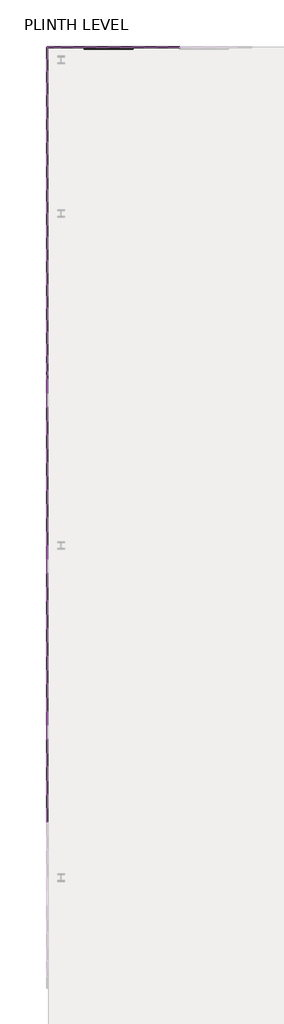
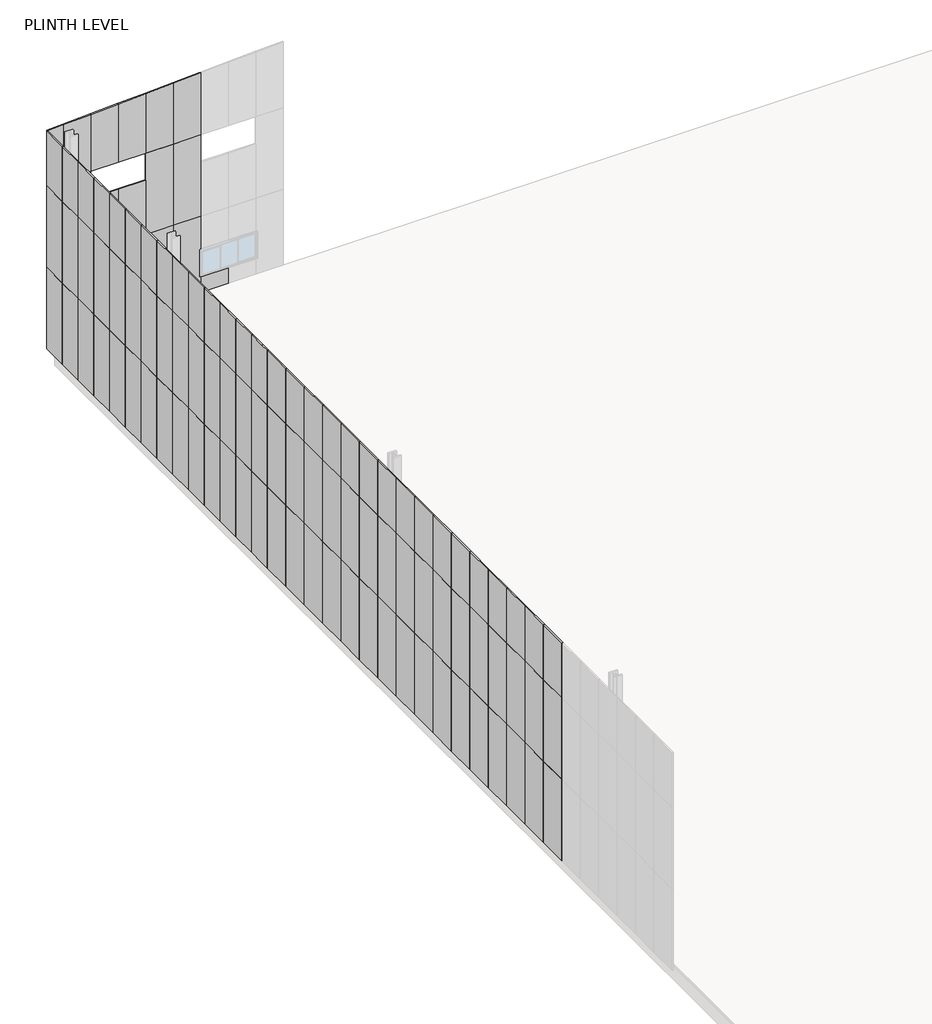
# One storey, part 7 of 10: 111 plates, 1 window.
"""IFC4 building model written with IfcOpenShell, lengths in millimetres."""

import ifcopenshell
import ifcopenshell.guid

model = None  # the IFC model being written
_history = None  # IfcOwnerHistory: only IFC2X3 demands one
_inside = {}  # id of a spatial element -> (the spatial element, [elements in it])
_under = {}  # id of a project, library or spatial element -> (it, [spatial elements below it])
_declared = {}  # id of a project -> (the project, [libraries it declares])
_typed = {}  # id of a type object -> (the type object, [elements of that type])
_made_of = {}  # id of a material, layer set ... -> (it, [elements and type objects made of it])


def new_model(schema):
    """Start an empty IFC model of exactly this schema.

    Asked for "IFC4X3", IfcOpenShell would pick the latest addendum, in which some entities
    have other attributes; the version numbers below select the first issue.
    IFC2X3 requires an IfcOwnerHistory on every rooted entity: one is made here for all.
    """
    global model, _history
    if schema == "IFC4X3":
        model = ifcopenshell.file(schema_version=(4, 3, 0, 0))
    else:
        model = ifcopenshell.file(schema=schema)
    _inside.clear()
    _under.clear()
    _declared.clear()
    _typed.clear()
    _made_of.clear()
    _history = None
    if model.schema == "IFC2X3":
        org = make("IfcOrganization", Name="unknown")
        user = make(
            "IfcPersonAndOrganization",
            ThePerson=make("IfcPerson", FamilyName="unknown"),
            TheOrganization=org,
        )
        app = make(
            "IfcApplication",
            ApplicationDeveloper=org,
            Version="unknown",
            ApplicationFullName="unknown",
            ApplicationIdentifier="unknown",
        )
        _history = make(
            "IfcOwnerHistory",
            OwningUser=user,
            OwningApplication=app,
            ChangeAction="ADDED",
            CreationDate=0,
        )
    return model


def make(cls, **values):
    """One entity of the class cls with the attributes given. An attribute that is None is left unset."""
    return model.create_entity(
        cls, **{name: value for name, value in values.items() if value is not None}
    )


def rooted(cls, **values):
    """An entity with a GlobalId (a new one), such as an element, a storey or a relation."""
    return make(cls, GlobalId=ifcopenshell.guid.new(), OwnerHistory=_history, **values)


def si_unit(unit_type, name, prefix=None):
    """IfcSIUnit, for example si_unit("LENGTHUNIT", "METRE", prefix="MILLI")."""
    return make("IfcSIUnit", UnitType=unit_type, Prefix=prefix, Name=name)


def assignment(units):
    """IfcUnitAssignment: the units of a project."""
    return None if units is None else make("IfcUnitAssignment", Units=units)


def point(xyz):
    """IfcCartesianPoint."""
    return None if xyz is None else make("IfcCartesianPoint", Coordinates=xyz)


def direction(xyz):
    """IfcDirection."""
    return None if xyz is None else make("IfcDirection", DirectionRatios=xyz)


def frame(location, z_axis=None, x_axis=None):
    """IfcAxis2Placement3D, a coordinate frame: its origin and axes. An axis left out is left unset."""
    return make(
        "IfcAxis2Placement3D",
        Location=point(location),
        Axis=direction(z_axis),
        RefDirection=direction(x_axis),
    )


def origin():
    """The frame at (0, 0, 0) with its axes left unset."""
    return frame((0.0, 0.0, 0.0))


def origin_with_axes():
    """The frame at (0, 0, 0) with the z axis (0, 0, 1) and the x axis (1, 0, 0) written out."""
    return frame((0.0, 0.0, 0.0), z_axis=(0.0, 0.0, 1.0), x_axis=(1.0, 0.0, 0.0))


def place(relative_to, where):
    """IfcLocalPlacement: puts the frame where relative to a parent placement (None: the world)."""
    return make(
        "IfcLocalPlacement", PlacementRelTo=relative_to, RelativePlacement=where
    )


def context(
    kind, dimensions, precision=None, world=None, true_north=None, identifier=None
):
    """IfcGeometricRepresentationContext, for example the 3D "Model" context."""
    return make(
        "IfcGeometricRepresentationContext",
        ContextIdentifier=identifier,
        ContextType=kind,
        CoordinateSpaceDimension=dimensions,
        Precision=precision,
        WorldCoordinateSystem=world,
        TrueNorth=true_north,
    )


def project(units=None, contexts=None):
    """IfcProject with its units and contexts."""
    return rooted(
        "IfcProject",
        Name="project",
        RepresentationContexts=contexts,
        UnitsInContext=assignment(units),
    )


def spatial(cls, under=None, at=None, **own):
    """A site, building, storey or space (cls), placed at a placement, below another one or the project."""
    s = rooted(cls, ObjectPlacement=at, **own)
    if under is not None:
        _under.setdefault(under.id(), (under, []))[1].append(s)
    return s


def polyline(points):
    """IfcPolyline through the points."""
    return make("IfcPolyline", Points=[point(p) for p in points])


def outline(outer, holes=None, kind="AREA"):
    """IfcArbitraryClosedProfileDef: a profile drawn as a closed curve; with holes, ...WithVoids."""
    if holes is None:
        return make("IfcArbitraryClosedProfileDef", ProfileType=kind, OuterCurve=outer)
    return make(
        "IfcArbitraryProfileDefWithVoids",
        ProfileType=kind,
        OuterCurve=outer,
        InnerCurves=holes,
    )


def extrude(swept, where, along, depth):
    """IfcExtrudedAreaSolid: the profile swept, set in the frame where, extruded along a direction by depth."""
    return make(
        "IfcExtrudedAreaSolid",
        SweptArea=swept,
        Position=where,
        ExtrudedDirection=direction(along),
        Depth=depth,
    )


def shape(context_of_items, identifier, shape_type, items):
    """IfcShapeRepresentation: the items that make up one representation, for example the "Body"."""
    return make(
        "IfcShapeRepresentation",
        ContextOfItems=context_of_items,
        RepresentationIdentifier=identifier,
        RepresentationType=shape_type,
        Items=items,
    )


def source(mapping_origin, context_of_items, identifier, shape_type, items):
    """IfcRepresentationMap: a shape defined once, which mapped items show again and again."""
    return make(
        "IfcRepresentationMap",
        MappingOrigin=mapping_origin,
        MappedRepresentation=shape(context_of_items, identifier, shape_type, items),
    )


def transform(
    local_origin,
    x_axis=None,
    y_axis=None,
    z_axis=None,
    scale=None,
    scale2=None,
    scale3=None,
    uniform=True,
):
    """IfcCartesianTransformationOperator3D, or its non-uniform kind. x_axis, y_axis, z_axis: its Axis1, 2, 3."""
    if uniform:
        return make(
            "IfcCartesianTransformationOperator3D",
            Axis1=direction(x_axis),
            Axis2=direction(y_axis),
            LocalOrigin=point(local_origin),
            Scale=scale,
            Axis3=direction(z_axis),
        )
    return make(
        "IfcCartesianTransformationOperator3DnonUniform",
        Axis1=direction(x_axis),
        Axis2=direction(y_axis),
        LocalOrigin=point(local_origin),
        Scale=scale,
        Axis3=direction(z_axis),
        Scale2=scale2,
        Scale3=scale3,
    )


def mapped(mapping_source, mapping_target):
    """IfcMappedItem: shows the shape of a source again, moved by a transform."""
    return make(
        "IfcMappedItem", MappingSource=mapping_source, MappingTarget=mapping_target
    )


def made_of(thing, what):
    """Note that an element or type object is made of a material, layer set ...; save() writes the relation."""
    if what is not None:
        _made_of.setdefault(what.id(), (what, []))[1].append(thing)
    return thing


def element(
    cls,
    number,
    at=None,
    inside=None,
    cuts=None,
    type_object=None,
    material=None,
    context=None,
    identifier="Body",
    shape_type=None,
    held_by="IfcProductDefinitionShape",
    body=None,
    shapes=None,
    **own,
):
    """One element of the class cls, such as IfcWall. Its Tag is "e" and its number.

    at: its placement. inside: the storey or other place that contains it. cuts: it is an
    opening in that element (IfcRelVoidsElement). A single representation is given by context,
    identifier, shape_type and body (its items); several are given by shapes. held_by: the class
    of the entity that holds the representations. save() writes the other relations.
    """
    e = rooted(cls, Tag="e%d" % number, ObjectPlacement=at, **own)
    if body is not None:
        shapes = [shape(context, identifier, shape_type, body)]
    if shapes is not None:
        e.Representation = make(held_by, Representations=shapes)
    if inside is not None:
        _inside.setdefault(inside.id(), (inside, []))[1].append(e)
    if cuts is not None:
        rooted(
            "IfcRelVoidsElement", RelatingBuildingElement=cuts, RelatedOpeningElement=e
        )
    if type_object is not None:
        _typed.setdefault(type_object.id(), (type_object, []))[1].append(e)
    return made_of(e, material)


def aggregate(whole, parts):
    """IfcRelAggregates: a whole, such as a stair, and the parts it consists of."""
    return rooted("IfcRelAggregates", RelatingObject=whole, RelatedObjects=parts)


def save(model, path):
    """Write the relations noted so far, then the file.

    IfcRelAggregates (storeys below a building ...), IfcRelContainedInSpatialStructure (elements
    in a storey), IfcRelDefinesByType, IfcRelAssociatesMaterial and IfcRelDeclares: one each for
    every whole, place, type object, material and project.
    """
    for whole, parts in _under.values():
        aggregate(whole, parts)
    for where, things in _inside.values():
        rooted(
            "IfcRelContainedInSpatialStructure",
            RelatedElements=things,
            RelatingStructure=where,
        )
    for kind, things in _typed.values():
        rooted("IfcRelDefinesByType", RelatedObjects=things, RelatingType=kind)
    for what, things in _made_of.values():
        rooted("IfcRelAssociatesMaterial", RelatedObjects=things, RelatingMaterial=what)
    for by, libraries in _declared.values():
        rooted("IfcRelDeclares", RelatingContext=by, RelatedDefinitions=libraries)
    model.write(path)


def system_panel_glazed_402fa4a2(model_context):
    return source(origin(), model_context, "Body", "SweptSolid", [
        extrude(outline(polyline([(833.3333333, -49.5), (-833.3333333, -49.5), (-833.3333333, -24.5), (833.3333333, -24.5), (833.3333333, -49.5)])), origin_with_axes(), (0.0, 0.0, 1.0), 4500.0),
    ])


def system_panel_sheet_cladding_c36d756c(model_context):
    return source(origin(), model_context, "Body", "SweptSolid", [
        extrude(outline(polyline([(833.3333333, -49.5), (-833.3333333, -49.5), (-833.3333333, 10.5), (833.3333333, 10.5), (833.3333333, -49.5)])), origin_with_axes(), (0.0, 0.0, 1.0), 4500.0),
    ])


def system_panel_sheet_cladding_1765ef23(model_context):
    return source(origin(), model_context, "Body", "SweptSolid", [
        extrude(outline(polyline([(833.3333333, -49.5), (-833.3333333, -49.5), (-833.3333333, 10.5), (833.3333333, 10.5), (833.3333333, -49.5)])), origin_with_axes(), (0.0, 0.0, 1.0), 3031.35),
    ])


def system_panel_sheet_cladding_b947c8a9(model_context):
    return source(origin(), model_context, "Body", "SweptSolid", [
        extrude(outline(polyline([(714.2857143, -49.5), (-714.2857143, -49.5), (-714.2857143, 10.5), (714.2857143, 10.5), (714.2857143, -49.5)])), origin_with_axes(), (0.0, 0.0, 1.0), 4500.0),
    ])


def system_panel_sheet_cladding_9e5e7799(model_context):
    return source(origin(), model_context, "Body", "SweptSolid", [
        extrude(outline(polyline([(0.0, -714.2857143), (0.0, 214.2857145), (0.0, 714.2857143), (4500.0, 714.2857143), (4500.0, 214.2857145), (4500.0, -714.2857143), (0.0, -714.2857143)])), frame((0.0, -49.5, 0.0), z_axis=(0.0, 1.0, 0.0), x_axis=(0.0, 0.0, 1.0)), (0.0, 0.0, 1.0), 60.0),
    ])


def system_panel_sheet_cladding_f6e0ee69(model_context):
    return source(origin(), model_context, "Body", "SweptSolid", [
        extrude(outline(polyline([(714.2857143, -49.5), (-714.2857143, -49.5), (-714.2857143, 10.5), (714.2857143, 10.5), (714.2857143, -49.5)])), origin_with_axes(), (0.0, 0.0, 1.0), 3031.35),
    ])


def system_panel_sheet_cladding_584bde34(model_context):
    return source(origin(), model_context, "Body", "SweptSolid", [
        extrude(outline(polyline([(0.0, -714.2857143), (0.0, 214.2857145), (0.0, 714.2857143), (3031.35, 714.2857143), (3031.35, 214.2857145), (3031.35, -714.2857143), (0.0, -714.2857143)])), frame((0.0, -49.5, 0.0), z_axis=(0.0, 1.0, 0.0), x_axis=(0.0, 0.0, 1.0)), (0.0, 0.0, 1.0), 60.0),
    ])


def system_panel_sheet_cladding_d094fab6(model_context):
    return source(origin(), model_context, "Body", "SweptSolid", [
        extrude(outline(polyline([(0.0, -412.5), (0.0, 412.5), (3031.35, 412.5), (3072.6, -412.5), (0.0, -412.5)])), frame((0.0, -49.5, 0.0), z_axis=(0.0, 1.0, 0.0), x_axis=(0.0, 0.0, 1.0)), (0.0, 0.0, 1.0), 60.0),
    ])


def system_panel_sheet_cladding_5d1c2f32(model_context):
    return source(origin(), model_context, "Body", "SweptSolid", [
        extrude(outline(polyline([(0.0, -718.75), (0.0, 718.75), (3360.1, 718.75), (3431.975, -718.75), (0.0, -718.75)])), frame((0.0, -49.5, 0.0), z_axis=(0.0, 1.0, 0.0), x_axis=(0.0, 0.0, 1.0)), (0.0, 0.0, 1.0), 60.0),
    ])


def system_panel_sheet_cladding_720000bf(model_context):
    return source(origin(), model_context, "Body", "SweptSolid", [
        extrude(outline(polyline([(0.0, -718.75), (0.0, 718.75), (3288.225, 718.75), (3360.1, -718.75), (0.0, -718.75)])), frame((0.0, -49.5, 0.0), z_axis=(0.0, 1.0, 0.0), x_axis=(0.0, 0.0, 1.0)), (0.0, 0.0, 1.0), 60.0),
    ])


def system_panel_sheet_cladding_9d891fc6(model_context):
    return source(origin(), model_context, "Body", "SweptSolid", [
        extrude(outline(polyline([(0.0, -718.75), (0.0, 718.75), (3216.35, 718.75), (3288.225, -718.75), (0.0, -718.75)])), frame((0.0, -49.5, 0.0), z_axis=(0.0, 1.0, 0.0), x_axis=(0.0, 0.0, 1.0)), (0.0, 0.0, 1.0), 60.0),
    ])


def system_panel_sheet_cladding_4e0a2068(model_context):
    return source(origin(), model_context, "Body", "SweptSolid", [
        extrude(outline(polyline([(0.0, -718.75), (0.0, 718.75), (3144.475, 718.75), (3216.35, -718.75), (0.0, -718.75)])), frame((0.0, -49.5, 0.0), z_axis=(0.0, 1.0, 0.0), x_axis=(0.0, 0.0, 1.0)), (0.0, 0.0, 1.0), 60.0),
    ])


def system_panel_sheet_cladding_94573952(model_context):
    return source(origin(), model_context, "Body", "SweptSolid", [
        extrude(outline(polyline([(0.0, -718.75), (0.0, 718.75), (3072.6, 718.75), (3144.475, -718.75), (0.0, -718.75)])), frame((0.0, -49.5, 0.0), z_axis=(0.0, 1.0, 0.0), x_axis=(0.0, 0.0, 1.0)), (0.0, 0.0, 1.0), 60.0),
    ])


def system_panel_sheet_cladding_cef5598b(model_context):
    return source(origin(), model_context, "Body", "SweptSolid", [
        extrude(outline(polyline([(718.75, -49.5), (-718.75, -49.5), (-718.75, 10.5), (718.75, 10.5), (718.75, -49.5)])), origin_with_axes(), (0.0, 0.0, 1.0), 1200.0),
    ])


def system_panel_sheet_cladding_8b4ab4d2(model_context):
    return source(origin(), model_context, "Body", "SweptSolid", [
        extrude(outline(polyline([(718.75, -49.5), (-718.75, -49.5), (-718.75, 10.5), (718.75, 10.5), (718.75, -49.5)])), origin_with_axes(), (0.0, 0.0, 1.0), 1800.0),
    ])


def system_panel_sheet_cladding_f11437c8(model_context):
    return source(origin(), model_context, "Body", "SweptSolid", [
        extrude(outline(polyline([(0.0, -412.5), (0.0, 412.5), (1200.0, 412.5), (2700.0, 412.5), (4500.0, 412.5), (4500.0, -412.5), (2700.0, -412.5), (1200.0, -412.5), (0.0, -412.5)])), frame((0.0, -49.5, 0.0), z_axis=(0.0, 1.0, 0.0), x_axis=(0.0, 0.0, 1.0)), (0.0, 0.0, 1.0), 60.0),
    ])


def system_panel_sheet_cladding_b78de94b(model_context):
    return source(origin(), model_context, "Body", "SweptSolid", [
        extrude(outline(polyline([(0.0, -718.75), (0.0, 718.75), (1200.0, 718.75), (2700.0, 718.75), (4500.0, 718.75), (4500.0, -718.75), (2700.0, -718.75), (1200.0, -718.75), (0.0, -718.75)])), frame((0.0, -49.5, 0.0), z_axis=(0.0, 1.0, 0.0), x_axis=(0.0, 0.0, 1.0)), (0.0, 0.0, 1.0), 60.0),
    ])


def system_panel_sheet_cladding_f5834e2c(model_context):
    return source(origin(), model_context, "Body", "SweptSolid", [
        extrude(outline(polyline([(0.0, -412.5), (0.0, 412.5), (3000.0, 412.5), (4500.0, 412.5), (4500.0, -412.5), (3000.0, -412.5), (0.0, -412.5)])), frame((0.0, -49.5, 0.0), z_axis=(0.0, 1.0, 0.0), x_axis=(0.0, 0.0, 1.0)), (0.0, 0.0, 1.0), 60.0),
    ])


def system_panel_sheet_cladding_36cc4cfe(model_context):
    return source(origin(), model_context, "Body", "SweptSolid", [
        extrude(outline(polyline([(0.0, -718.75), (0.0, 718.75), (3000.0, 718.75), (4500.0, 718.75), (4500.0, -718.75), (3000.0, -718.75), (0.0, -718.75)])), frame((0.0, -49.5, 0.0), z_axis=(0.0, 1.0, 0.0), x_axis=(0.0, 0.0, 1.0)), (0.0, 0.0, 1.0), 60.0),
    ])


def system_panel_sheet_cladding_d2a125ef(model_context):
    return source(origin(), model_context, "Body", "SweptSolid", [
        extrude(outline(polyline([(718.75, -49.5), (-718.75, -49.5), (-718.75, 10.5), (718.75, 10.5), (718.75, -49.5)])), origin_with_axes(), (0.0, 0.0, 1.0), 3000.0),
    ])


def window_3_sliding_3_00_x_1_50_m_1cb39a05(model_context):
    return source(origin(), model_context, "Body", "SweptSolid", [
        extrude(outline(polyline([(1337.5103168, 84.5), (450.8436501, 84.5), (450.8436501, 90.5), (1337.5103168, 90.5), (1337.5103168, 84.5)])), frame((0.0, 0.0, 920.0), z_axis=(0.0, 0.0, 1.0), x_axis=(1.0, 0.0, 0.0)), (0.0, 0.0, 1.0), 1260.0),
        extrude(outline(polyline([(-485.8230165, 59.5), (-485.8230165, 65.5), (400.8436501, 65.5), (400.8436501, 59.5), (-485.8230165, 59.5)])), frame((0.0, 0.0, 920.0), z_axis=(0.0, 0.0, 1.0), x_axis=(1.0, 0.0, 0.0)), (0.0, 0.0, 1.0), 1260.0),
        extrude(outline(polyline([(-535.8230165, 34.5), (-1422.4896832, 34.5), (-1422.4896832, 40.5), (-535.8230165, 40.5), (-535.8230165, 34.5)])), frame((0.0, 0.0, 920.0), z_axis=(0.0, 0.0, 1.0), x_axis=(1.0, 0.0, 0.0)), (0.0, 0.0, 1.0), 1260.0),
        extrude(outline(polyline([(870.0, 400.8436501), (870.0, 1387.5103168), (2230.0, 1387.5103168), (2230.0, 400.8436501), (870.0, 400.8436501)]), holes=[polyline([(920.0, 1337.5103168), (920.0, 450.8436501), (2180.0, 450.8436501), (2180.0, 1337.5103168), (920.0, 1337.5103168)])]), frame((0.0, 75.0, 0.0), z_axis=(0.0, 1.0, 0.0), x_axis=(0.0, 0.0, 1.0)), (0.0, 0.0, 1.0), 25.0),
        extrude(outline(polyline([(870.0, -535.8230165), (870.0, 450.8436501), (2230.0, 450.8436501), (2230.0, -535.8230165), (870.0, -535.8230165)]), holes=[polyline([(920.0, 400.8436501), (920.0, -485.8230165), (2180.0, -485.8230165), (2180.0, 400.8436501), (920.0, 400.8436501)])]), frame((0.0, 0.0, 0.0), z_axis=(0.0, 1.0, 0.0), x_axis=(0.0, 0.0, 1.0)), (0.0, 0.0, 1.0), 50.0),
        extrude(outline(polyline([(870.0, -1472.4896832), (870.0, -485.8230165), (2230.0, -485.8230165), (2230.0, -1472.4896832), (870.0, -1472.4896832)]), holes=[polyline([(920.0, -535.8230165), (920.0, -1422.4896832), (2180.0, -1422.4896832), (2180.0, -535.8230165), (920.0, -535.8230165)])]), frame((0.0, 25.0, 0.0), z_axis=(0.0, 1.0, 0.0), x_axis=(0.0, 0.0, 1.0)), (0.0, 0.0, 1.0), 25.0),
        extrude(outline(polyline([(820.0, -1522.4896832), (820.0, 1437.5103168), (2280.0, 1437.5103168), (2280.0, -1522.4896832), (820.0, -1522.4896832)]), holes=[polyline([(870.0, 1387.5103168), (870.0, -1472.4896832), (2230.0, -1472.4896832), (2230.0, 1387.5103168), (870.0, 1387.5103168)])]), frame((0.0, 25.0, 0.0), z_axis=(0.0, 1.0, 0.0), x_axis=(0.0, 0.0, 1.0)), (0.0, 0.0, 1.0), 75.0),
        extrude(outline(polyline([(2300.0, 1457.5103168), (2300.0, -1542.4896832), (800.0, -1542.4896832), (800.0, 1457.5103168), (2300.0, 1457.5103168)]), holes=[polyline([(2280.0, -1522.4896832), (2280.0, 1437.5103168), (820.0, 1437.5103168), (820.0, -1522.4896832), (2280.0, -1522.4896832)])]), frame((0.0, -25.0, 0.0), z_axis=(0.0, 1.0, 0.0), x_axis=(0.0, 0.0, 1.0)), (0.0, 0.0, 1.0), 50.0),
    ])


model = new_model("IFC4")

# Units and contexts
model_context = context("Model", 3, world=origin())
ifc_project = project(units=[si_unit("LENGTHUNIT", "METRE", prefix="MILLI")], contexts=[model_context])

# Site, building, storey
site = spatial("IfcSite", under=ifc_project)
building = spatial("IfcBuilding", under=site)
storey = spatial("IfcBuildingStorey", under=building, Name="PLINTH LEVEL", Elevation=1200.0)

# Plates
placement = place(None, origin())
system_panel_glazed_shape = system_panel_glazed_402fa4a2(model_context)
element("IfcPlate", 1, ObjectType="System Panel : Glazed", at=placement, inside=storey, context=model_context, shape_type="MappedRepresentation", body=[
    mapped(system_panel_glazed_shape, transform((-15779.6288399, 41077.3311407, 900.0), x_axis=(0.0, -1.0, 0.0), y_axis=(1.0, 0.0, 0.0), z_axis=(0.0, 0.0, 1.0))),
])
element("IfcPlate", 2, ObjectType="System Panel : Glazed", at=placement, inside=storey, context=model_context, shape_type="MappedRepresentation", body=[
    mapped(system_panel_glazed_shape, transform((-15779.6288399, 31077.3311405, 900.0), x_axis=(0.0, -1.0, 0.0), y_axis=(1.0, 0.0, 0.0), z_axis=(0.0, 0.0, 1.0))),
])
element("IfcPlate", 3, ObjectType="System Panel : Glazed", at=placement, inside=storey, context=model_context, shape_type="MappedRepresentation", body=[
    mapped(system_panel_glazed_shape, transform((-15779.6288399, 21077.3311407, 900.0), x_axis=(0.0, -1.0, 0.0), y_axis=(1.0, 0.0, 0.0), z_axis=(0.0, 0.0, 1.0))),
])
element("IfcPlate", 4, ObjectType="System Panel : Glazed", at=placement, inside=storey, context=model_context, shape_type="MappedRepresentation", body=[
    mapped(system_panel_glazed_shape, transform((-15779.6288399, 41077.3311407, 5400.0), x_axis=(0.0, -1.0, 0.0), y_axis=(1.0, 0.0, 0.0), z_axis=(0.0, 0.0, 1.0))),
])
element("IfcPlate", 5, ObjectType="System Panel : Glazed", at=placement, inside=storey, context=model_context, shape_type="MappedRepresentation", body=[
    mapped(system_panel_glazed_shape, transform((-15779.6288399, 31077.3311405, 5400.0), x_axis=(0.0, -1.0, 0.0), y_axis=(1.0, 0.0, 0.0), z_axis=(0.0, 0.0, 1.0))),
])
element("IfcPlate", 6, ObjectType="System Panel : Glazed", at=placement, inside=storey, context=model_context, shape_type="MappedRepresentation", body=[
    mapped(system_panel_glazed_shape, transform((-15779.6288399, 21077.3311407, 5400.0), x_axis=(0.0, -1.0, 0.0), y_axis=(1.0, 0.0, 0.0), z_axis=(0.0, 0.0, 1.0))),
])
system_panel_sheet_cladding_shape = system_panel_sheet_cladding_c36d756c(model_context)
element("IfcPlate", 7, ObjectType="System Panel : SHEET CLADDING", at=placement, inside=storey, context=model_context, shape_type="MappedRepresentation", body=[
    mapped(system_panel_sheet_cladding_shape, transform((-15779.6288399, 39410.664474, 900.0), x_axis=(0.0, -1.0, 0.0), y_axis=(1.0, 0.0, 0.0), z_axis=(0.0, 0.0, 1.0))),
])
element("IfcPlate", 8, ObjectType="System Panel : SHEET CLADDING", at=placement, inside=storey, context=model_context, shape_type="MappedRepresentation", body=[
    mapped(system_panel_sheet_cladding_shape, transform((-15779.6288399, 37743.9978073, 900.0), x_axis=(0.0, -1.0, 0.0), y_axis=(1.0, 0.0, 0.0), z_axis=(0.0, 0.0, 1.0))),
])
element("IfcPlate", 9, ObjectType="System Panel : SHEET CLADDING", at=placement, inside=storey, context=model_context, shape_type="MappedRepresentation", body=[
    mapped(system_panel_sheet_cladding_shape, transform((-15779.6288399, 36077.3311406, 900.0), x_axis=(0.0, -1.0, 0.0), y_axis=(1.0, 0.0, 0.0), z_axis=(0.0, 0.0, 1.0))),
])
element("IfcPlate", 10, ObjectType="System Panel : SHEET CLADDING", at=placement, inside=storey, context=model_context, shape_type="MappedRepresentation", body=[
    mapped(system_panel_sheet_cladding_shape, transform((-15779.6288399, 34410.6644739, 900.0), x_axis=(0.0, -1.0, 0.0), y_axis=(1.0, 0.0, 0.0), z_axis=(0.0, 0.0, 1.0))),
])
element("IfcPlate", 11, ObjectType="System Panel : SHEET CLADDING", at=placement, inside=storey, context=model_context, shape_type="MappedRepresentation", body=[
    mapped(system_panel_sheet_cladding_shape, transform((-15779.6288399, 32743.9978072, 900.0), x_axis=(0.0, -1.0, 0.0), y_axis=(1.0, 0.0, 0.0), z_axis=(0.0, 0.0, 1.0))),
])
element("IfcPlate", 12, ObjectType="System Panel : SHEET CLADDING", at=placement, inside=storey, context=model_context, shape_type="MappedRepresentation", body=[
    mapped(system_panel_sheet_cladding_shape, transform((-15779.6288399, 29410.6644739, 900.0), x_axis=(0.0, -1.0, 0.0), y_axis=(1.0, 0.0, 0.0), z_axis=(0.0, 0.0, 1.0))),
])
element("IfcPlate", 13, ObjectType="System Panel : SHEET CLADDING", at=placement, inside=storey, context=model_context, shape_type="MappedRepresentation", body=[
    mapped(system_panel_sheet_cladding_shape, transform((-15779.6288399, 27743.9978073, 900.0), x_axis=(0.0, -1.0, 0.0), y_axis=(1.0, 0.0, 0.0), z_axis=(0.0, 0.0, 1.0))),
])
element("IfcPlate", 14, ObjectType="System Panel : SHEET CLADDING", at=placement, inside=storey, context=model_context, shape_type="MappedRepresentation", body=[
    mapped(system_panel_sheet_cladding_shape, transform((-15779.6288399, 26077.3311406, 900.0), x_axis=(0.0, -1.0, 0.0), y_axis=(1.0, 0.0, 0.0), z_axis=(0.0, 0.0, 1.0))),
])
element("IfcPlate", 15, ObjectType="System Panel : SHEET CLADDING", at=placement, inside=storey, context=model_context, shape_type="MappedRepresentation", body=[
    mapped(system_panel_sheet_cladding_shape, transform((-15779.6288399, 24410.664474, 900.0), x_axis=(0.0, -1.0, 0.0), y_axis=(1.0, 0.0, 0.0), z_axis=(0.0, 0.0, 1.0))),
])
element("IfcPlate", 16, ObjectType="System Panel : SHEET CLADDING", at=placement, inside=storey, context=model_context, shape_type="MappedRepresentation", body=[
    mapped(system_panel_sheet_cladding_shape, transform((-15779.6288399, 22743.9978073, 900.0), x_axis=(0.0, -1.0, 0.0), y_axis=(1.0, 0.0, 0.0), z_axis=(0.0, 0.0, 1.0))),
])
element("IfcPlate", 17, ObjectType="System Panel : SHEET CLADDING", at=placement, inside=storey, context=model_context, shape_type="MappedRepresentation", body=[
    mapped(system_panel_sheet_cladding_shape, transform((-15779.6288399, 19410.664474, 900.0), x_axis=(0.0, -1.0, 0.0), y_axis=(1.0, 0.0, 0.0), z_axis=(0.0, 0.0, 1.0))),
])
element("IfcPlate", 18, ObjectType="System Panel : SHEET CLADDING", at=placement, inside=storey, context=model_context, shape_type="MappedRepresentation", body=[
    mapped(system_panel_sheet_cladding_shape, transform((-15779.6288399, 17743.9978073, 900.0), x_axis=(0.0, -1.0, 0.0), y_axis=(1.0, 0.0, 0.0), z_axis=(0.0, 0.0, 1.0))),
])
element("IfcPlate", 19, ObjectType="System Panel : SHEET CLADDING", at=placement, inside=storey, context=model_context, shape_type="MappedRepresentation", body=[
    mapped(system_panel_sheet_cladding_shape, transform((-15779.6288399, 16077.3311406, 900.0), x_axis=(0.0, -1.0, 0.0), y_axis=(1.0, 0.0, 0.0), z_axis=(0.0, 0.0, 1.0))),
])
element("IfcPlate", 20, ObjectType="System Panel : SHEET CLADDING", at=placement, inside=storey, context=model_context, shape_type="MappedRepresentation", body=[
    mapped(system_panel_sheet_cladding_shape, transform((-15779.6288399, 39410.664474, 5400.0), x_axis=(0.0, -1.0, 0.0), y_axis=(1.0, 0.0, 0.0), z_axis=(0.0, 0.0, 1.0))),
])
element("IfcPlate", 21, ObjectType="System Panel : SHEET CLADDING", at=placement, inside=storey, context=model_context, shape_type="MappedRepresentation", body=[
    mapped(system_panel_sheet_cladding_shape, transform((-15779.6288399, 37743.9978073, 5400.0), x_axis=(0.0, -1.0, 0.0), y_axis=(1.0, 0.0, 0.0), z_axis=(0.0, 0.0, 1.0))),
])
element("IfcPlate", 22, ObjectType="System Panel : SHEET CLADDING", at=placement, inside=storey, context=model_context, shape_type="MappedRepresentation", body=[
    mapped(system_panel_sheet_cladding_shape, transform((-15779.6288399, 36077.3311406, 5400.0), x_axis=(0.0, -1.0, 0.0), y_axis=(1.0, 0.0, 0.0), z_axis=(0.0, 0.0, 1.0))),
])
element("IfcPlate", 23, ObjectType="System Panel : SHEET CLADDING", at=placement, inside=storey, context=model_context, shape_type="MappedRepresentation", body=[
    mapped(system_panel_sheet_cladding_shape, transform((-15779.6288399, 34410.6644739, 5400.0), x_axis=(0.0, -1.0, 0.0), y_axis=(1.0, 0.0, 0.0), z_axis=(0.0, 0.0, 1.0))),
])
element("IfcPlate", 24, ObjectType="System Panel : SHEET CLADDING", at=placement, inside=storey, context=model_context, shape_type="MappedRepresentation", body=[
    mapped(system_panel_sheet_cladding_shape, transform((-15779.6288399, 32743.9978072, 5400.0), x_axis=(0.0, -1.0, 0.0), y_axis=(1.0, 0.0, 0.0), z_axis=(0.0, 0.0, 1.0))),
])
element("IfcPlate", 25, ObjectType="System Panel : SHEET CLADDING", at=placement, inside=storey, context=model_context, shape_type="MappedRepresentation", body=[
    mapped(system_panel_sheet_cladding_shape, transform((-15779.6288399, 29410.6644739, 5400.0), x_axis=(0.0, -1.0, 0.0), y_axis=(1.0, 0.0, 0.0), z_axis=(0.0, 0.0, 1.0))),
])
element("IfcPlate", 26, ObjectType="System Panel : SHEET CLADDING", at=placement, inside=storey, context=model_context, shape_type="MappedRepresentation", body=[
    mapped(system_panel_sheet_cladding_shape, transform((-15779.6288399, 27743.9978073, 5400.0), x_axis=(0.0, -1.0, 0.0), y_axis=(1.0, 0.0, 0.0), z_axis=(0.0, 0.0, 1.0))),
])
element("IfcPlate", 27, ObjectType="System Panel : SHEET CLADDING", at=placement, inside=storey, context=model_context, shape_type="MappedRepresentation", body=[
    mapped(system_panel_sheet_cladding_shape, transform((-15779.6288399, 26077.3311406, 5400.0), x_axis=(0.0, -1.0, 0.0), y_axis=(1.0, 0.0, 0.0), z_axis=(0.0, 0.0, 1.0))),
])
element("IfcPlate", 28, ObjectType="System Panel : SHEET CLADDING", at=placement, inside=storey, context=model_context, shape_type="MappedRepresentation", body=[
    mapped(system_panel_sheet_cladding_shape, transform((-15779.6288399, 24410.664474, 5400.0), x_axis=(0.0, -1.0, 0.0), y_axis=(1.0, 0.0, 0.0), z_axis=(0.0, 0.0, 1.0))),
])
element("IfcPlate", 29, ObjectType="System Panel : SHEET CLADDING", at=placement, inside=storey, context=model_context, shape_type="MappedRepresentation", body=[
    mapped(system_panel_sheet_cladding_shape, transform((-15779.6288399, 22743.9978073, 5400.0), x_axis=(0.0, -1.0, 0.0), y_axis=(1.0, 0.0, 0.0), z_axis=(0.0, 0.0, 1.0))),
])
element("IfcPlate", 30, ObjectType="System Panel : SHEET CLADDING", at=placement, inside=storey, context=model_context, shape_type="MappedRepresentation", body=[
    mapped(system_panel_sheet_cladding_shape, transform((-15779.6288399, 19410.664474, 5400.0), x_axis=(0.0, -1.0, 0.0), y_axis=(1.0, 0.0, 0.0), z_axis=(0.0, 0.0, 1.0))),
])
element("IfcPlate", 31, ObjectType="System Panel : SHEET CLADDING", at=placement, inside=storey, context=model_context, shape_type="MappedRepresentation", body=[
    mapped(system_panel_sheet_cladding_shape, transform((-15779.6288399, 17743.9978073, 5400.0), x_axis=(0.0, -1.0, 0.0), y_axis=(1.0, 0.0, 0.0), z_axis=(0.0, 0.0, 1.0))),
])
element("IfcPlate", 32, ObjectType="System Panel : SHEET CLADDING", at=placement, inside=storey, context=model_context, shape_type="MappedRepresentation", body=[
    mapped(system_panel_sheet_cladding_shape, transform((-15779.6288399, 16077.3311406, 5400.0), x_axis=(0.0, -1.0, 0.0), y_axis=(1.0, 0.0, 0.0), z_axis=(0.0, 0.0, 1.0))),
])
system_panel_sheet_cladding_2_shape = system_panel_sheet_cladding_1765ef23(model_context)
element("IfcPlate", 33, ObjectType="System Panel : SHEET CLADDING", at=placement, inside=storey, context=model_context, shape_type="MappedRepresentation", body=[
    mapped(system_panel_sheet_cladding_2_shape, transform((-15779.6288399, 41077.3311407, 9900.0), x_axis=(0.0, -1.0, 0.0), y_axis=(1.0, 0.0, 0.0), z_axis=(0.0, 0.0, 1.0))),
])
element("IfcPlate", 34, ObjectType="System Panel : SHEET CLADDING", at=placement, inside=storey, context=model_context, shape_type="MappedRepresentation", body=[
    mapped(system_panel_sheet_cladding_2_shape, transform((-15779.6288399, 39410.664474, 9900.0), x_axis=(0.0, -1.0, 0.0), y_axis=(1.0, 0.0, 0.0), z_axis=(0.0, 0.0, 1.0))),
])
element("IfcPlate", 35, ObjectType="System Panel : SHEET CLADDING", at=placement, inside=storey, context=model_context, shape_type="MappedRepresentation", body=[
    mapped(system_panel_sheet_cladding_2_shape, transform((-15779.6288399, 37743.9978073, 9900.0), x_axis=(0.0, -1.0, 0.0), y_axis=(1.0, 0.0, 0.0), z_axis=(0.0, 0.0, 1.0))),
])
element("IfcPlate", 36, ObjectType="System Panel : SHEET CLADDING", at=placement, inside=storey, context=model_context, shape_type="MappedRepresentation", body=[
    mapped(system_panel_sheet_cladding_2_shape, transform((-15779.6288399, 36077.3311406, 9900.0), x_axis=(0.0, -1.0, 0.0), y_axis=(1.0, 0.0, 0.0), z_axis=(0.0, 0.0, 1.0))),
])
element("IfcPlate", 37, ObjectType="System Panel : SHEET CLADDING", at=placement, inside=storey, context=model_context, shape_type="MappedRepresentation", body=[
    mapped(system_panel_sheet_cladding_2_shape, transform((-15779.6288399, 34410.6644739, 9900.0), x_axis=(0.0, -1.0, 0.0), y_axis=(1.0, 0.0, 0.0), z_axis=(0.0, 0.0, 1.0))),
])
element("IfcPlate", 38, ObjectType="System Panel : SHEET CLADDING", at=placement, inside=storey, context=model_context, shape_type="MappedRepresentation", body=[
    mapped(system_panel_sheet_cladding_2_shape, transform((-15779.6288399, 32743.9978072, 9900.0), x_axis=(0.0, -1.0, 0.0), y_axis=(1.0, 0.0, 0.0), z_axis=(0.0, 0.0, 1.0))),
])
element("IfcPlate", 39, ObjectType="System Panel : SHEET CLADDING", at=placement, inside=storey, context=model_context, shape_type="MappedRepresentation", body=[
    mapped(system_panel_sheet_cladding_2_shape, transform((-15779.6288399, 31077.3311405, 9900.0), x_axis=(0.0, -1.0, 0.0), y_axis=(1.0, 0.0, 0.0), z_axis=(0.0, 0.0, 1.0))),
])
element("IfcPlate", 40, ObjectType="System Panel : SHEET CLADDING", at=placement, inside=storey, context=model_context, shape_type="MappedRepresentation", body=[
    mapped(system_panel_sheet_cladding_2_shape, transform((-15779.6288399, 29410.6644739, 9900.0), x_axis=(0.0, -1.0, 0.0), y_axis=(1.0, 0.0, 0.0), z_axis=(0.0, 0.0, 1.0))),
])
element("IfcPlate", 41, ObjectType="System Panel : SHEET CLADDING", at=placement, inside=storey, context=model_context, shape_type="MappedRepresentation", body=[
    mapped(system_panel_sheet_cladding_2_shape, transform((-15779.6288399, 27743.9978073, 9900.0), x_axis=(0.0, -1.0, 0.0), y_axis=(1.0, 0.0, 0.0), z_axis=(0.0, 0.0, 1.0))),
])
element("IfcPlate", 42, ObjectType="System Panel : SHEET CLADDING", at=placement, inside=storey, context=model_context, shape_type="MappedRepresentation", body=[
    mapped(system_panel_sheet_cladding_2_shape, transform((-15779.6288399, 26077.3311406, 9900.0), x_axis=(0.0, -1.0, 0.0), y_axis=(1.0, 0.0, 0.0), z_axis=(0.0, 0.0, 1.0))),
])
element("IfcPlate", 43, ObjectType="System Panel : SHEET CLADDING", at=placement, inside=storey, context=model_context, shape_type="MappedRepresentation", body=[
    mapped(system_panel_sheet_cladding_2_shape, transform((-15779.6288399, 24410.664474, 9900.0), x_axis=(0.0, -1.0, 0.0), y_axis=(1.0, 0.0, 0.0), z_axis=(0.0, 0.0, 1.0))),
])
element("IfcPlate", 44, ObjectType="System Panel : SHEET CLADDING", at=placement, inside=storey, context=model_context, shape_type="MappedRepresentation", body=[
    mapped(system_panel_sheet_cladding_2_shape, transform((-15779.6288399, 22743.9978073, 9900.0), x_axis=(0.0, -1.0, 0.0), y_axis=(1.0, 0.0, 0.0), z_axis=(0.0, 0.0, 1.0))),
])
element("IfcPlate", 45, ObjectType="System Panel : SHEET CLADDING", at=placement, inside=storey, context=model_context, shape_type="MappedRepresentation", body=[
    mapped(system_panel_sheet_cladding_2_shape, transform((-15779.6288399, 21077.3311407, 9900.0), x_axis=(0.0, -1.0, 0.0), y_axis=(1.0, 0.0, 0.0), z_axis=(0.0, 0.0, 1.0))),
])
element("IfcPlate", 46, ObjectType="System Panel : SHEET CLADDING", at=placement, inside=storey, context=model_context, shape_type="MappedRepresentation", body=[
    mapped(system_panel_sheet_cladding_2_shape, transform((-15779.6288399, 19410.664474, 9900.0), x_axis=(0.0, -1.0, 0.0), y_axis=(1.0, 0.0, 0.0), z_axis=(0.0, 0.0, 1.0))),
])
element("IfcPlate", 47, ObjectType="System Panel : SHEET CLADDING", at=placement, inside=storey, context=model_context, shape_type="MappedRepresentation", body=[
    mapped(system_panel_sheet_cladding_2_shape, transform((-15779.6288399, 17743.9978073, 9900.0), x_axis=(0.0, -1.0, 0.0), y_axis=(1.0, 0.0, 0.0), z_axis=(0.0, 0.0, 1.0))),
])
element("IfcPlate", 48, ObjectType="System Panel : SHEET CLADDING", at=placement, inside=storey, context=model_context, shape_type="MappedRepresentation", body=[
    mapped(system_panel_sheet_cladding_2_shape, transform((-15779.6288399, 16077.3311406, 9900.0), x_axis=(0.0, -1.0, 0.0), y_axis=(1.0, 0.0, 0.0), z_axis=(0.0, 0.0, 1.0))),
])
system_panel_sheet_cladding_3_shape = system_panel_sheet_cladding_b947c8a9(model_context)
element("IfcPlate", 49, ObjectType="System Panel : SHEET CLADDING", at=placement, inside=storey, context=model_context, shape_type="MappedRepresentation", body=[
    mapped(system_panel_sheet_cladding_3_shape, transform((-15779.6288399, 61196.3787597, 900.0), x_axis=(0.0, -1.0, 0.0), y_axis=(1.0, 0.0, 0.0), z_axis=(0.0, 0.0, 1.0))),
])
element("IfcPlate", 50, ObjectType="System Panel : SHEET CLADDING", at=placement, inside=storey, context=model_context, shape_type="MappedRepresentation", body=[
    mapped(system_panel_sheet_cladding_3_shape, transform((-15779.6288399, 58339.2359026, 900.0), x_axis=(0.0, -1.0, 0.0), y_axis=(1.0, 0.0, 0.0), z_axis=(0.0, 0.0, 1.0))),
])
element("IfcPlate", 51, ObjectType="System Panel : SHEET CLADDING", at=placement, inside=storey, context=model_context, shape_type="MappedRepresentation", body=[
    mapped(system_panel_sheet_cladding_3_shape, transform((-15779.6288399, 56910.664474, 900.0), x_axis=(0.0, -1.0, 0.0), y_axis=(1.0, 0.0, 0.0), z_axis=(0.0, 0.0, 1.0))),
])
element("IfcPlate", 52, ObjectType="System Panel : SHEET CLADDING", at=placement, inside=storey, context=model_context, shape_type="MappedRepresentation", body=[
    mapped(system_panel_sheet_cladding_3_shape, transform((-15779.6288399, 55482.0930455, 900.0), x_axis=(0.0, -1.0, 0.0), y_axis=(1.0, 0.0, 0.0), z_axis=(0.0, 0.0, 1.0))),
])
element("IfcPlate", 53, ObjectType="System Panel : SHEET CLADDING", at=placement, inside=storey, context=model_context, shape_type="MappedRepresentation", body=[
    mapped(system_panel_sheet_cladding_3_shape, transform((-15779.6288399, 54053.5216169, 900.0), x_axis=(0.0, -1.0, 0.0), y_axis=(1.0, 0.0, 0.0), z_axis=(0.0, 0.0, 1.0))),
])
element("IfcPlate", 54, ObjectType="System Panel : SHEET CLADDING", at=placement, inside=storey, context=model_context, shape_type="MappedRepresentation", body=[
    mapped(system_panel_sheet_cladding_3_shape, transform((-15779.6288399, 52624.9501883, 900.0), x_axis=(0.0, -1.0, 0.0), y_axis=(1.0, 0.0, 0.0), z_axis=(0.0, 0.0, 1.0))),
])
element("IfcPlate", 55, ObjectType="System Panel : SHEET CLADDING", at=placement, inside=storey, context=model_context, shape_type="MappedRepresentation", body=[
    mapped(system_panel_sheet_cladding_3_shape, transform((-15779.6288399, 49767.8073312, 900.0), x_axis=(0.0, -1.0, 0.0), y_axis=(1.0, 0.0, 0.0), z_axis=(0.0, 0.0, 1.0))),
])
element("IfcPlate", 56, ObjectType="System Panel : SHEET CLADDING", at=placement, inside=storey, context=model_context, shape_type="MappedRepresentation", body=[
    mapped(system_panel_sheet_cladding_3_shape, transform((-15779.6288399, 48339.2359026, 900.0), x_axis=(0.0, -1.0, 0.0), y_axis=(1.0, 0.0, 0.0), z_axis=(0.0, 0.0, 1.0))),
])
element("IfcPlate", 57, ObjectType="System Panel : SHEET CLADDING", at=placement, inside=storey, context=model_context, shape_type="MappedRepresentation", body=[
    mapped(system_panel_sheet_cladding_3_shape, transform((-15779.6288399, 46910.664474, 900.0), x_axis=(0.0, -1.0, 0.0), y_axis=(1.0, 0.0, 0.0), z_axis=(0.0, 0.0, 1.0))),
])
element("IfcPlate", 58, ObjectType="System Panel : SHEET CLADDING", at=placement, inside=storey, context=model_context, shape_type="MappedRepresentation", body=[
    mapped(system_panel_sheet_cladding_3_shape, transform((-15779.6288399, 45482.0930455, 900.0), x_axis=(0.0, -1.0, 0.0), y_axis=(1.0, 0.0, 0.0), z_axis=(0.0, 0.0, 1.0))),
])
element("IfcPlate", 59, ObjectType="System Panel : SHEET CLADDING", at=placement, inside=storey, context=model_context, shape_type="MappedRepresentation", body=[
    mapped(system_panel_sheet_cladding_3_shape, transform((-15779.6288399, 44053.5216169, 900.0), x_axis=(0.0, -1.0, 0.0), y_axis=(1.0, 0.0, 0.0), z_axis=(0.0, 0.0, 1.0))),
])
element("IfcPlate", 60, ObjectType="System Panel : SHEET CLADDING", at=placement, inside=storey, context=model_context, shape_type="MappedRepresentation", body=[
    mapped(system_panel_sheet_cladding_3_shape, transform((-15779.6288399, 61196.3787597, 5400.0), x_axis=(0.0, -1.0, 0.0), y_axis=(1.0, 0.0, 0.0), z_axis=(0.0, 0.0, 1.0))),
])
element("IfcPlate", 61, ObjectType="System Panel : SHEET CLADDING", at=placement, inside=storey, context=model_context, shape_type="MappedRepresentation", body=[
    mapped(system_panel_sheet_cladding_3_shape, transform((-15779.6288399, 58339.2359026, 5400.0), x_axis=(0.0, -1.0, 0.0), y_axis=(1.0, 0.0, 0.0), z_axis=(0.0, 0.0, 1.0))),
])
element("IfcPlate", 62, ObjectType="System Panel : SHEET CLADDING", at=placement, inside=storey, context=model_context, shape_type="MappedRepresentation", body=[
    mapped(system_panel_sheet_cladding_3_shape, transform((-15779.6288399, 56910.664474, 5400.0), x_axis=(0.0, -1.0, 0.0), y_axis=(1.0, 0.0, 0.0), z_axis=(0.0, 0.0, 1.0))),
])
element("IfcPlate", 63, ObjectType="System Panel : SHEET CLADDING", at=placement, inside=storey, context=model_context, shape_type="MappedRepresentation", body=[
    mapped(system_panel_sheet_cladding_3_shape, transform((-15779.6288399, 55482.0930455, 5400.0), x_axis=(0.0, -1.0, 0.0), y_axis=(1.0, 0.0, 0.0), z_axis=(0.0, 0.0, 1.0))),
])
element("IfcPlate", 64, ObjectType="System Panel : SHEET CLADDING", at=placement, inside=storey, context=model_context, shape_type="MappedRepresentation", body=[
    mapped(system_panel_sheet_cladding_3_shape, transform((-15779.6288399, 54053.5216169, 5400.0), x_axis=(0.0, -1.0, 0.0), y_axis=(1.0, 0.0, 0.0), z_axis=(0.0, 0.0, 1.0))),
])
element("IfcPlate", 65, ObjectType="System Panel : SHEET CLADDING", at=placement, inside=storey, context=model_context, shape_type="MappedRepresentation", body=[
    mapped(system_panel_sheet_cladding_3_shape, transform((-15779.6288399, 52624.9501883, 5400.0), x_axis=(0.0, -1.0, 0.0), y_axis=(1.0, 0.0, 0.0), z_axis=(0.0, 0.0, 1.0))),
])
element("IfcPlate", 66, ObjectType="System Panel : SHEET CLADDING", at=placement, inside=storey, context=model_context, shape_type="MappedRepresentation", body=[
    mapped(system_panel_sheet_cladding_3_shape, transform((-15779.6288399, 49767.8073312, 5400.0), x_axis=(0.0, -1.0, 0.0), y_axis=(1.0, 0.0, 0.0), z_axis=(0.0, 0.0, 1.0))),
])
element("IfcPlate", 67, ObjectType="System Panel : SHEET CLADDING", at=placement, inside=storey, context=model_context, shape_type="MappedRepresentation", body=[
    mapped(system_panel_sheet_cladding_3_shape, transform((-15779.6288399, 48339.2359026, 5400.0), x_axis=(0.0, -1.0, 0.0), y_axis=(1.0, 0.0, 0.0), z_axis=(0.0, 0.0, 1.0))),
])
element("IfcPlate", 68, ObjectType="System Panel : SHEET CLADDING", at=placement, inside=storey, context=model_context, shape_type="MappedRepresentation", body=[
    mapped(system_panel_sheet_cladding_3_shape, transform((-15779.6288399, 46910.664474, 5400.0), x_axis=(0.0, -1.0, 0.0), y_axis=(1.0, 0.0, 0.0), z_axis=(0.0, 0.0, 1.0))),
])
element("IfcPlate", 69, ObjectType="System Panel : SHEET CLADDING", at=placement, inside=storey, context=model_context, shape_type="MappedRepresentation", body=[
    mapped(system_panel_sheet_cladding_3_shape, transform((-15779.6288399, 45482.0930455, 5400.0), x_axis=(0.0, -1.0, 0.0), y_axis=(1.0, 0.0, 0.0), z_axis=(0.0, 0.0, 1.0))),
])
element("IfcPlate", 70, ObjectType="System Panel : SHEET CLADDING", at=placement, inside=storey, context=model_context, shape_type="MappedRepresentation", body=[
    mapped(system_panel_sheet_cladding_3_shape, transform((-15779.6288399, 44053.5216169, 5400.0), x_axis=(0.0, -1.0, 0.0), y_axis=(1.0, 0.0, 0.0), z_axis=(0.0, 0.0, 1.0))),
])
element("IfcPlate", 71, ObjectType="System Panel : SHEET CLADDING", at=placement, inside=storey, context=model_context, shape_type="MappedRepresentation", body=[
    mapped(system_panel_sheet_cladding_3_shape, transform((-15779.6288399, 59767.8073312, 900.0), x_axis=(0.0, -1.0, 0.0), y_axis=(1.0, 0.0, 0.0), z_axis=(0.0, 0.0, 1.0))),
])
element("IfcPlate", 72, ObjectType="System Panel : SHEET CLADDING", at=placement, inside=storey, context=model_context, shape_type="MappedRepresentation", body=[
    mapped(system_panel_sheet_cladding_3_shape, transform((-15779.6288399, 59767.8073312, 5400.0), x_axis=(0.0, -1.0, 0.0), y_axis=(1.0, 0.0, 0.0), z_axis=(0.0, 0.0, 1.0))),
])
element("IfcPlate", 73, ObjectType="System Panel : SHEET CLADDING", at=placement, inside=storey, context=model_context, shape_type="MappedRepresentation", body=[
    mapped(system_panel_sheet_cladding_3_shape, transform((-15779.6288399, 51196.3787597, 900.0), x_axis=(0.0, -1.0, 0.0), y_axis=(1.0, 0.0, 0.0), z_axis=(0.0, 0.0, 1.0))),
])
element("IfcPlate", 74, ObjectType="System Panel : SHEET CLADDING", at=placement, inside=storey, context=model_context, shape_type="MappedRepresentation", body=[
    mapped(system_panel_sheet_cladding_3_shape, transform((-15779.6288399, 51196.3787597, 5400.0), x_axis=(0.0, -1.0, 0.0), y_axis=(1.0, 0.0, 0.0), z_axis=(0.0, 0.0, 1.0))),
])
system_panel_sheet_cladding_4_shape = system_panel_sheet_cladding_9e5e7799(model_context)
element("IfcPlate", 75, ObjectType="System Panel : SHEET CLADDING", at=placement, inside=storey, context=model_context, shape_type="MappedRepresentation", body=[
    mapped(system_panel_sheet_cladding_4_shape, transform((-15779.6288399, 42624.9501883, 900.0), x_axis=(0.0, -1.0, 0.0), y_axis=(1.0, 0.0, 0.0), z_axis=(0.0, 0.0, 1.0))),
])
element("IfcPlate", 76, ObjectType="System Panel : SHEET CLADDING", at=placement, inside=storey, context=model_context, shape_type="MappedRepresentation", body=[
    mapped(system_panel_sheet_cladding_4_shape, transform((-15779.6288399, 42624.9501883, 5400.0), x_axis=(0.0, -1.0, 0.0), y_axis=(1.0, 0.0, 0.0), z_axis=(0.0, 0.0, 1.0))),
])
system_panel_sheet_cladding_5_shape = system_panel_sheet_cladding_f6e0ee69(model_context)
element("IfcPlate", 77, ObjectType="System Panel : SHEET CLADDING", at=placement, inside=storey, context=model_context, shape_type="MappedRepresentation", body=[
    mapped(system_panel_sheet_cladding_5_shape, transform((-15779.6288399, 61196.3787597, 9900.0), x_axis=(0.0, -1.0, 0.0), y_axis=(1.0, 0.0, 0.0), z_axis=(0.0, 0.0, 1.0))),
])
element("IfcPlate", 78, ObjectType="System Panel : SHEET CLADDING", at=placement, inside=storey, context=model_context, shape_type="MappedRepresentation", body=[
    mapped(system_panel_sheet_cladding_5_shape, transform((-15779.6288399, 59767.8073312, 9900.0), x_axis=(0.0, -1.0, 0.0), y_axis=(1.0, 0.0, 0.0), z_axis=(0.0, 0.0, 1.0))),
])
element("IfcPlate", 79, ObjectType="System Panel : SHEET CLADDING", at=placement, inside=storey, context=model_context, shape_type="MappedRepresentation", body=[
    mapped(system_panel_sheet_cladding_5_shape, transform((-15779.6288399, 58339.2359026, 9900.0), x_axis=(0.0, -1.0, 0.0), y_axis=(1.0, 0.0, 0.0), z_axis=(0.0, 0.0, 1.0))),
])
element("IfcPlate", 80, ObjectType="System Panel : SHEET CLADDING", at=placement, inside=storey, context=model_context, shape_type="MappedRepresentation", body=[
    mapped(system_panel_sheet_cladding_5_shape, transform((-15779.6288399, 56910.664474, 9900.0), x_axis=(0.0, -1.0, 0.0), y_axis=(1.0, 0.0, 0.0), z_axis=(0.0, 0.0, 1.0))),
])
element("IfcPlate", 81, ObjectType="System Panel : SHEET CLADDING", at=placement, inside=storey, context=model_context, shape_type="MappedRepresentation", body=[
    mapped(system_panel_sheet_cladding_5_shape, transform((-15779.6288399, 55482.0930455, 9900.0), x_axis=(0.0, -1.0, 0.0), y_axis=(1.0, 0.0, 0.0), z_axis=(0.0, 0.0, 1.0))),
])
element("IfcPlate", 82, ObjectType="System Panel : SHEET CLADDING", at=placement, inside=storey, context=model_context, shape_type="MappedRepresentation", body=[
    mapped(system_panel_sheet_cladding_5_shape, transform((-15779.6288399, 54053.5216169, 9900.0), x_axis=(0.0, -1.0, 0.0), y_axis=(1.0, 0.0, 0.0), z_axis=(0.0, 0.0, 1.0))),
])
element("IfcPlate", 83, ObjectType="System Panel : SHEET CLADDING", at=placement, inside=storey, context=model_context, shape_type="MappedRepresentation", body=[
    mapped(system_panel_sheet_cladding_5_shape, transform((-15779.6288399, 52624.9501883, 9900.0), x_axis=(0.0, -1.0, 0.0), y_axis=(1.0, 0.0, 0.0), z_axis=(0.0, 0.0, 1.0))),
])
element("IfcPlate", 84, ObjectType="System Panel : SHEET CLADDING", at=placement, inside=storey, context=model_context, shape_type="MappedRepresentation", body=[
    mapped(system_panel_sheet_cladding_5_shape, transform((-15779.6288399, 49767.8073312, 9900.0), x_axis=(0.0, -1.0, 0.0), y_axis=(1.0, 0.0, 0.0), z_axis=(0.0, 0.0, 1.0))),
])
element("IfcPlate", 85, ObjectType="System Panel : SHEET CLADDING", at=placement, inside=storey, context=model_context, shape_type="MappedRepresentation", body=[
    mapped(system_panel_sheet_cladding_5_shape, transform((-15779.6288399, 48339.2359026, 9900.0), x_axis=(0.0, -1.0, 0.0), y_axis=(1.0, 0.0, 0.0), z_axis=(0.0, 0.0, 1.0))),
])
element("IfcPlate", 86, ObjectType="System Panel : SHEET CLADDING", at=placement, inside=storey, context=model_context, shape_type="MappedRepresentation", body=[
    mapped(system_panel_sheet_cladding_5_shape, transform((-15779.6288399, 46910.664474, 9900.0), x_axis=(0.0, -1.0, 0.0), y_axis=(1.0, 0.0, 0.0), z_axis=(0.0, 0.0, 1.0))),
])
element("IfcPlate", 87, ObjectType="System Panel : SHEET CLADDING", at=placement, inside=storey, context=model_context, shape_type="MappedRepresentation", body=[
    mapped(system_panel_sheet_cladding_5_shape, transform((-15779.6288399, 45482.0930455, 9900.0), x_axis=(0.0, -1.0, 0.0), y_axis=(1.0, 0.0, 0.0), z_axis=(0.0, 0.0, 1.0))),
])
element("IfcPlate", 88, ObjectType="System Panel : SHEET CLADDING", at=placement, inside=storey, context=model_context, shape_type="MappedRepresentation", body=[
    mapped(system_panel_sheet_cladding_5_shape, transform((-15779.6288399, 44053.5216169, 9900.0), x_axis=(0.0, -1.0, 0.0), y_axis=(1.0, 0.0, 0.0), z_axis=(0.0, 0.0, 1.0))),
])
element("IfcPlate", 89, ObjectType="System Panel : SHEET CLADDING", at=placement, inside=storey, context=model_context, shape_type="MappedRepresentation", body=[
    mapped(system_panel_sheet_cladding_5_shape, transform((-15779.6288399, 51196.3787597, 9900.0), x_axis=(0.0, -1.0, 0.0), y_axis=(1.0, 0.0, 0.0), z_axis=(0.0, 0.0, 1.0))),
])
system_panel_sheet_cladding_6_shape = system_panel_sheet_cladding_584bde34(model_context)
element("IfcPlate", 90, ObjectType="System Panel : SHEET CLADDING", at=placement, inside=storey, context=model_context, shape_type="MappedRepresentation", body=[
    mapped(system_panel_sheet_cladding_6_shape, transform((-15779.6288399, 42624.9501883, 9900.0), x_axis=(0.0, -1.0, 0.0), y_axis=(1.0, 0.0, 0.0), z_axis=(0.0, 0.0, 1.0))),
])
system_panel_sheet_cladding_7_shape = system_panel_sheet_cladding_d094fab6(model_context)
element("IfcPlate", 91, ObjectType="System Panel : SHEET CLADDING", at=placement, inside=storey, context=model_context, shape_type="MappedRepresentation", body=[
    mapped(system_panel_sheet_cladding_7_shape, transform((-15367.1288399, 61910.664474, 9900.0), x_axis=(-1.0, 0.0, 0.0), y_axis=(0.0, -1.0, 0.0), z_axis=(0.0, 0.0, 1.0))),
])
system_panel_sheet_cladding_8_shape = system_panel_sheet_cladding_5d1c2f32(model_context)
element("IfcPlate", 92, ObjectType="System Panel : SHEET CLADDING", at=placement, inside=storey, context=model_context, shape_type="MappedRepresentation", body=[
    mapped(system_panel_sheet_cladding_8_shape, transform((-8485.8788399, 61910.664474, 9900.0), x_axis=(-1.0, 0.0, 0.0), y_axis=(0.0, -1.0, 0.0), z_axis=(0.0, 0.0, 1.0))),
])
system_panel_sheet_cladding_9_shape = system_panel_sheet_cladding_720000bf(model_context)
element("IfcPlate", 93, ObjectType="System Panel : SHEET CLADDING", at=placement, inside=storey, context=model_context, shape_type="MappedRepresentation", body=[
    mapped(system_panel_sheet_cladding_9_shape, transform((-9923.3788399, 61910.664474, 9900.0), x_axis=(-1.0, 0.0, 0.0), y_axis=(0.0, -1.0, 0.0), z_axis=(0.0, 0.0, 1.0))),
])
system_panel_sheet_cladding_10_shape = system_panel_sheet_cladding_9d891fc6(model_context)
element("IfcPlate", 94, ObjectType="System Panel : SHEET CLADDING", at=placement, inside=storey, context=model_context, shape_type="MappedRepresentation", body=[
    mapped(system_panel_sheet_cladding_10_shape, transform((-11360.8788399, 61910.664474, 9900.0), x_axis=(-1.0, 0.0, 0.0), y_axis=(0.0, -1.0, 0.0), z_axis=(0.0, 0.0, 1.0))),
])
system_panel_sheet_cladding_11_shape = system_panel_sheet_cladding_4e0a2068(model_context)
element("IfcPlate", 95, ObjectType="System Panel : SHEET CLADDING", at=placement, inside=storey, context=model_context, shape_type="MappedRepresentation", body=[
    mapped(system_panel_sheet_cladding_11_shape, transform((-12798.3788399, 61910.664474, 9900.0), x_axis=(-1.0, 0.0, 0.0), y_axis=(0.0, -1.0, 0.0), z_axis=(0.0, 0.0, 1.0))),
])
system_panel_sheet_cladding_12_shape = system_panel_sheet_cladding_94573952(model_context)
element("IfcPlate", 96, ObjectType="System Panel : SHEET CLADDING", at=placement, inside=storey, context=model_context, shape_type="MappedRepresentation", body=[
    mapped(system_panel_sheet_cladding_12_shape, transform((-14235.8788399, 61910.664474, 9900.0), x_axis=(-1.0, 0.0, 0.0), y_axis=(0.0, -1.0, 0.0), z_axis=(0.0, 0.0, 1.0))),
])
system_panel_sheet_cladding_13_shape = system_panel_sheet_cladding_cef5598b(model_context)
element("IfcPlate", 97, ObjectType="System Panel : SHEET CLADDING", at=placement, inside=storey, context=model_context, shape_type="MappedRepresentation", body=[
    mapped(system_panel_sheet_cladding_13_shape, transform((-7048.3788399, 61910.664474, 900.0), x_axis=(-1.0, 0.0, 0.0), y_axis=(0.0, -1.0, 0.0), z_axis=(0.0, 0.0, 1.0))),
])
element("IfcPlate", 98, ObjectType="System Panel : SHEET CLADDING", at=placement, inside=storey, context=model_context, shape_type="MappedRepresentation", body=[
    mapped(system_panel_sheet_cladding_13_shape, transform((-11360.8788399, 61910.664474, 900.0), x_axis=(-1.0, 0.0, 0.0), y_axis=(0.0, -1.0, 0.0), z_axis=(0.0, 0.0, 1.0))),
])
element("IfcPlate", 99, ObjectType="System Panel : SHEET CLADDING", at=placement, inside=storey, context=model_context, shape_type="MappedRepresentation", body=[
    mapped(system_panel_sheet_cladding_13_shape, transform((-12798.3788399, 61910.664474, 900.0), x_axis=(-1.0, 0.0, 0.0), y_axis=(0.0, -1.0, 0.0), z_axis=(0.0, 0.0, 1.0))),
])
system_panel_sheet_cladding_14_shape = system_panel_sheet_cladding_8b4ab4d2(model_context)
element("IfcPlate", 100, ObjectType="System Panel : SHEET CLADDING", at=placement, inside=storey, context=model_context, shape_type="MappedRepresentation", body=[
    mapped(system_panel_sheet_cladding_14_shape, transform((-11360.8788399, 61910.664474, 3600.0), x_axis=(-1.0, 0.0, 0.0), y_axis=(0.0, -1.0, 0.0), z_axis=(0.0, 0.0, 1.0))),
])
element("IfcPlate", 101, ObjectType="System Panel : SHEET CLADDING", at=placement, inside=storey, context=model_context, shape_type="MappedRepresentation", body=[
    mapped(system_panel_sheet_cladding_14_shape, transform((-12798.3788399, 61910.664474, 3600.0), x_axis=(-1.0, 0.0, 0.0), y_axis=(0.0, -1.0, 0.0), z_axis=(0.0, 0.0, 1.0))),
])
system_panel_sheet_cladding_15_shape = system_panel_sheet_cladding_f11437c8(model_context)
element("IfcPlate", 102, ObjectType="System Panel : SHEET CLADDING", at=placement, inside=storey, context=model_context, shape_type="MappedRepresentation", body=[
    mapped(system_panel_sheet_cladding_15_shape, transform((-15367.1288399, 61910.664474, 900.0), x_axis=(-1.0, 0.0, 0.0), y_axis=(0.0, -1.0, 0.0), z_axis=(0.0, 0.0, 1.0))),
])
system_panel_sheet_cladding_16_shape = system_panel_sheet_cladding_b78de94b(model_context)
element("IfcPlate", 103, ObjectType="System Panel : SHEET CLADDING", at=placement, inside=storey, context=model_context, shape_type="MappedRepresentation", body=[
    mapped(system_panel_sheet_cladding_16_shape, transform((-8485.8788399, 61910.664474, 900.0), x_axis=(-1.0, 0.0, 0.0), y_axis=(0.0, -1.0, 0.0), z_axis=(0.0, 0.0, 1.0))),
])
element("IfcPlate", 104, ObjectType="System Panel : SHEET CLADDING", at=placement, inside=storey, context=model_context, shape_type="MappedRepresentation", body=[
    mapped(system_panel_sheet_cladding_16_shape, transform((-9923.3788399, 61910.664474, 900.0), x_axis=(-1.0, 0.0, 0.0), y_axis=(0.0, -1.0, 0.0), z_axis=(0.0, 0.0, 1.0))),
])
element("IfcPlate", 105, ObjectType="System Panel : SHEET CLADDING", at=placement, inside=storey, context=model_context, shape_type="MappedRepresentation", body=[
    mapped(system_panel_sheet_cladding_16_shape, transform((-14235.8788399, 61910.664474, 900.0), x_axis=(-1.0, 0.0, 0.0), y_axis=(0.0, -1.0, 0.0), z_axis=(0.0, 0.0, 1.0))),
])
system_panel_sheet_cladding_17_shape = system_panel_sheet_cladding_f5834e2c(model_context)
element("IfcPlate", 106, ObjectType="System Panel : SHEET CLADDING", at=placement, inside=storey, context=model_context, shape_type="MappedRepresentation", body=[
    mapped(system_panel_sheet_cladding_17_shape, transform((-15367.1288399, 61910.664474, 5400.0), x_axis=(-1.0, 0.0, 0.0), y_axis=(0.0, -1.0, 0.0), z_axis=(0.0, 0.0, 1.0))),
])
system_panel_sheet_cladding_18_shape = system_panel_sheet_cladding_36cc4cfe(model_context)
element("IfcPlate", 107, ObjectType="System Panel : SHEET CLADDING", at=placement, inside=storey, context=model_context, shape_type="MappedRepresentation", body=[
    mapped(system_panel_sheet_cladding_18_shape, transform((-8485.8788399, 61910.664474, 5400.0), x_axis=(-1.0, 0.0, 0.0), y_axis=(0.0, -1.0, 0.0), z_axis=(0.0, 0.0, 1.0))),
])
element("IfcPlate", 108, ObjectType="System Panel : SHEET CLADDING", at=placement, inside=storey, context=model_context, shape_type="MappedRepresentation", body=[
    mapped(system_panel_sheet_cladding_18_shape, transform((-9923.3788399, 61910.664474, 5400.0), x_axis=(-1.0, 0.0, 0.0), y_axis=(0.0, -1.0, 0.0), z_axis=(0.0, 0.0, 1.0))),
])
element("IfcPlate", 109, ObjectType="System Panel : SHEET CLADDING", at=placement, inside=storey, context=model_context, shape_type="MappedRepresentation", body=[
    mapped(system_panel_sheet_cladding_18_shape, transform((-14235.8788399, 61910.664474, 5400.0), x_axis=(-1.0, 0.0, 0.0), y_axis=(0.0, -1.0, 0.0), z_axis=(0.0, 0.0, 1.0))),
])
system_panel_sheet_cladding_19_shape = system_panel_sheet_cladding_d2a125ef(model_context)
element("IfcPlate", 110, ObjectType="System Panel : SHEET CLADDING", at=placement, inside=storey, context=model_context, shape_type="MappedRepresentation", body=[
    mapped(system_panel_sheet_cladding_19_shape, transform((-11360.8788399, 61910.664474, 5400.0), x_axis=(-1.0, 0.0, 0.0), y_axis=(0.0, -1.0, 0.0), z_axis=(0.0, 0.0, 1.0))),
])
element("IfcPlate", 111, ObjectType="System Panel : SHEET CLADDING", at=placement, inside=storey, context=model_context, shape_type="MappedRepresentation", body=[
    mapped(system_panel_sheet_cladding_19_shape, transform((-12798.3788399, 61910.664474, 5400.0), x_axis=(-1.0, 0.0, 0.0), y_axis=(0.0, -1.0, 0.0), z_axis=(0.0, 0.0, 1.0))),
])

# Window
window_3_sliding_3_00_x_1_50_m_shape = window_3_sliding_3_00_x_1_50_m_1cb39a05(model_context)
element("IfcWindow", 112, ObjectType="3 Sliding : 3.00 x 1.50 m", at=placement, inside=storey, context=model_context, shape_type="MappedRepresentation", body=[
    mapped(window_3_sliding_3_00_x_1_50_m_shape, transform((-12122.1185231, 61910.664474, 1300.0), x_axis=(-1.0, 0.0, 0.0), y_axis=(0.0, -1.0, 0.0), z_axis=(0.0, 0.0, 1.0))),
])

save(model, "model.ifc")
